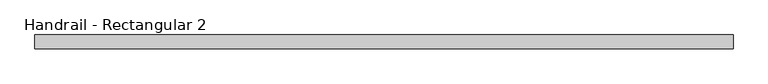
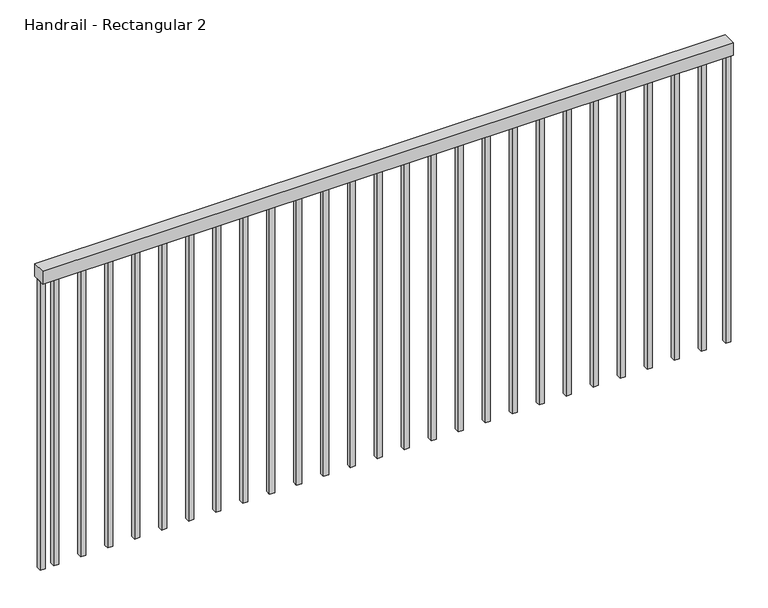
"""IFC4 building model written with IfcOpenShell, lengths in millimetres: railing geometry, Handrail - Rectangular 2."""

from ifc_helpers import new_model, si_unit, frame, origin, place, context, project, spatial, polyline, outline, extrude, source, transform, mapped, element, save


def handrail_rectangular_2_bbb263ee(model_context):
    return source(origin(), model_context, "Body", "SweptSolid", [
        extrude(outline(polyline([(63071.8536851, -314.0697691), (63071.8536851, -364.8697691), (60471.8536851, -364.8697691), (60471.8536851, -314.0697691), (63071.8536851, -314.0697691)])), frame((0.0, 0.0, 4189.2), z_axis=(0.0, 0.0, 1.0), x_axis=(1.0, 0.0, 0.0)), (0.0, 0.0, 1.0), 50.8),
        extrude(outline(polyline([(60541.3786851, -329.9447691), (60541.3786851, -348.9947691), (60522.3286851, -348.9947691), (60522.3286851, -329.9447691), (60541.3786851, -329.9447691)])), frame((0.0, 0.0, 3040.0), z_axis=(0.0, 0.0, 1.0), x_axis=(1.0, 0.0, 0.0)), (0.0, 0.0, 1.0), 1149.2),
        extrude(outline(polyline([(60642.9786851, -329.9447691), (60642.9786851, -348.9947691), (60623.9286851, -348.9947691), (60623.9286851, -329.9447691), (60642.9786851, -329.9447691)])), frame((0.0, 0.0, 3040.0), z_axis=(0.0, 0.0, 1.0), x_axis=(1.0, 0.0, 0.0)), (0.0, 0.0, 1.0), 1149.2),
        extrude(outline(polyline([(60744.5786851, -329.9447691), (60744.5786851, -348.9947691), (60725.5286851, -348.9947691), (60725.5286851, -329.9447691), (60744.5786851, -329.9447691)])), frame((0.0, 0.0, 3040.0), z_axis=(0.0, 0.0, 1.0), x_axis=(1.0, 0.0, 0.0)), (0.0, 0.0, 1.0), 1149.2),
        extrude(outline(polyline([(60846.1786851, -329.9447691), (60846.1786851, -348.9947691), (60827.1286851, -348.9947691), (60827.1286851, -329.9447691), (60846.1786851, -329.9447691)])), frame((0.0, 0.0, 3040.0), z_axis=(0.0, 0.0, 1.0), x_axis=(1.0, 0.0, 0.0)), (0.0, 0.0, 1.0), 1149.2),
        extrude(outline(polyline([(60947.7786851, -329.9447691), (60947.7786851, -348.9947691), (60928.7286851, -348.9947691), (60928.7286851, -329.9447691), (60947.7786851, -329.9447691)])), frame((0.0, 0.0, 3040.0), z_axis=(0.0, 0.0, 1.0), x_axis=(1.0, 0.0, 0.0)), (0.0, 0.0, 1.0), 1149.2),
        extrude(outline(polyline([(61049.3786851, -329.9447691), (61049.3786851, -348.9947691), (61030.3286851, -348.9947691), (61030.3286851, -329.9447691), (61049.3786851, -329.9447691)])), frame((0.0, 0.0, 3040.0), z_axis=(0.0, 0.0, 1.0), x_axis=(1.0, 0.0, 0.0)), (0.0, 0.0, 1.0), 1149.2),
        extrude(outline(polyline([(61150.9786851, -329.9447691), (61150.9786851, -348.9947691), (61131.9286851, -348.9947691), (61131.9286851, -329.9447691), (61150.9786851, -329.9447691)])), frame((0.0, 0.0, 3040.0), z_axis=(0.0, 0.0, 1.0), x_axis=(1.0, 0.0, 0.0)), (0.0, 0.0, 1.0), 1149.2),
        extrude(outline(polyline([(61252.5786851, -329.9447691), (61252.5786851, -348.9947691), (61233.5286851, -348.9947691), (61233.5286851, -329.9447691), (61252.5786851, -329.9447691)])), frame((0.0, 0.0, 3040.0), z_axis=(0.0, 0.0, 1.0), x_axis=(1.0, 0.0, 0.0)), (0.0, 0.0, 1.0), 1149.2),
        extrude(outline(polyline([(61354.1786851, -329.9447691), (61354.1786851, -348.9947691), (61335.1286851, -348.9947691), (61335.1286851, -329.9447691), (61354.1786851, -329.9447691)])), frame((0.0, 0.0, 3040.0), z_axis=(0.0, 0.0, 1.0), x_axis=(1.0, 0.0, 0.0)), (0.0, 0.0, 1.0), 1149.2),
        extrude(outline(polyline([(61455.7786851, -329.9447691), (61455.7786851, -348.9947691), (61436.7286851, -348.9947691), (61436.7286851, -329.9447691), (61455.7786851, -329.9447691)])), frame((0.0, 0.0, 3040.0), z_axis=(0.0, 0.0, 1.0), x_axis=(1.0, 0.0, 0.0)), (0.0, 0.0, 1.0), 1149.2),
        extrude(outline(polyline([(61557.3786851, -329.9447691), (61557.3786851, -348.9947691), (61538.3286851, -348.9947691), (61538.3286851, -329.9447691), (61557.3786851, -329.9447691)])), frame((0.0, 0.0, 3040.0), z_axis=(0.0, 0.0, 1.0), x_axis=(1.0, 0.0, 0.0)), (0.0, 0.0, 1.0), 1149.2),
        extrude(outline(polyline([(61658.9786851, -329.9447691), (61658.9786851, -348.9947691), (61639.9286851, -348.9947691), (61639.9286851, -329.9447691), (61658.9786851, -329.9447691)])), frame((0.0, 0.0, 3040.0), z_axis=(0.0, 0.0, 1.0), x_axis=(1.0, 0.0, 0.0)), (0.0, 0.0, 1.0), 1149.2),
        extrude(outline(polyline([(61760.5786851, -329.9447691), (61760.5786851, -348.9947691), (61741.5286851, -348.9947691), (61741.5286851, -329.9447691), (61760.5786851, -329.9447691)])), frame((0.0, 0.0, 3040.0), z_axis=(0.0, 0.0, 1.0), x_axis=(1.0, 0.0, 0.0)), (0.0, 0.0, 1.0), 1149.2),
        extrude(outline(polyline([(61862.1786851, -329.9447691), (61862.1786851, -348.9947691), (61843.1286851, -348.9947691), (61843.1286851, -329.9447691), (61862.1786851, -329.9447691)])), frame((0.0, 0.0, 3040.0), z_axis=(0.0, 0.0, 1.0), x_axis=(1.0, 0.0, 0.0)), (0.0, 0.0, 1.0), 1149.2),
        extrude(outline(polyline([(61963.7786851, -329.9447691), (61963.7786851, -348.9947691), (61944.7286851, -348.9947691), (61944.7286851, -329.9447691), (61963.7786851, -329.9447691)])), frame((0.0, 0.0, 3040.0), z_axis=(0.0, 0.0, 1.0), x_axis=(1.0, 0.0, 0.0)), (0.0, 0.0, 1.0), 1149.2),
        extrude(outline(polyline([(62065.3786851, -329.9447691), (62065.3786851, -348.9947691), (62046.3286851, -348.9947691), (62046.3286851, -329.9447691), (62065.3786851, -329.9447691)])), frame((0.0, 0.0, 3040.0), z_axis=(0.0, 0.0, 1.0), x_axis=(1.0, 0.0, 0.0)), (0.0, 0.0, 1.0), 1149.2),
        extrude(outline(polyline([(62166.9786851, -329.9447691), (62166.9786851, -348.9947691), (62147.9286851, -348.9947691), (62147.9286851, -329.9447691), (62166.9786851, -329.9447691)])), frame((0.0, 0.0, 3040.0), z_axis=(0.0, 0.0, 1.0), x_axis=(1.0, 0.0, 0.0)), (0.0, 0.0, 1.0), 1149.2),
        extrude(outline(polyline([(62268.5786851, -329.9447691), (62268.5786851, -348.9947691), (62249.5286851, -348.9947691), (62249.5286851, -329.9447691), (62268.5786851, -329.9447691)])), frame((0.0, 0.0, 3040.0), z_axis=(0.0, 0.0, 1.0), x_axis=(1.0, 0.0, 0.0)), (0.0, 0.0, 1.0), 1149.2),
        extrude(outline(polyline([(62370.1786851, -329.9447691), (62370.1786851, -348.9947691), (62351.1286851, -348.9947691), (62351.1286851, -329.9447691), (62370.1786851, -329.9447691)])), frame((0.0, 0.0, 3040.0), z_axis=(0.0, 0.0, 1.0), x_axis=(1.0, 0.0, 0.0)), (0.0, 0.0, 1.0), 1149.2),
        extrude(outline(polyline([(62471.7786851, -329.9447691), (62471.7786851, -348.9947691), (62452.7286851, -348.9947691), (62452.7286851, -329.9447691), (62471.7786851, -329.9447691)])), frame((0.0, 0.0, 3040.0), z_axis=(0.0, 0.0, 1.0), x_axis=(1.0, 0.0, 0.0)), (0.0, 0.0, 1.0), 1149.2),
        extrude(outline(polyline([(62573.3786851, -329.9447691), (62573.3786851, -348.9947691), (62554.3286851, -348.9947691), (62554.3286851, -329.9447691), (62573.3786851, -329.9447691)])), frame((0.0, 0.0, 3040.0), z_axis=(0.0, 0.0, 1.0), x_axis=(1.0, 0.0, 0.0)), (0.0, 0.0, 1.0), 1149.2),
        extrude(outline(polyline([(62674.9786851, -329.9447691), (62674.9786851, -348.9947691), (62655.9286851, -348.9947691), (62655.9286851, -329.9447691), (62674.9786851, -329.9447691)])), frame((0.0, 0.0, 3040.0), z_axis=(0.0, 0.0, 1.0), x_axis=(1.0, 0.0, 0.0)), (0.0, 0.0, 1.0), 1149.2),
        extrude(outline(polyline([(62776.5786851, -329.9447691), (62776.5786851, -348.9947691), (62757.5286851, -348.9947691), (62757.5286851, -329.9447691), (62776.5786851, -329.9447691)])), frame((0.0, 0.0, 3040.0), z_axis=(0.0, 0.0, 1.0), x_axis=(1.0, 0.0, 0.0)), (0.0, 0.0, 1.0), 1149.2),
        extrude(outline(polyline([(62878.1786851, -329.9447691), (62878.1786851, -348.9947691), (62859.1286851, -348.9947691), (62859.1286851, -329.9447691), (62878.1786851, -329.9447691)])), frame((0.0, 0.0, 3040.0), z_axis=(0.0, 0.0, 1.0), x_axis=(1.0, 0.0, 0.0)), (0.0, 0.0, 1.0), 1149.2),
        extrude(outline(polyline([(62979.7786851, -329.9447691), (62979.7786851, -348.9947691), (62960.7286851, -348.9947691), (62960.7286851, -329.9447691), (62979.7786851, -329.9447691)])), frame((0.0, 0.0, 3040.0), z_axis=(0.0, 0.0, 1.0), x_axis=(1.0, 0.0, 0.0)), (0.0, 0.0, 1.0), 1149.2),
        extrude(outline(polyline([(60490.8786851, -329.9447691), (60490.8786851, -348.9947691), (60471.8286851, -348.9947691), (60471.8286851, -329.9447691), (60490.8786851, -329.9447691)])), frame((0.0, 0.0, 3040.0), z_axis=(0.0, 0.0, 1.0), x_axis=(1.0, 0.0, 0.0)), (0.0, 0.0, 1.0), 1149.2),
        extrude(outline(polyline([(63071.8786851, -329.9447691), (63071.8786851, -348.9947691), (63052.8286851, -348.9947691), (63052.8286851, -329.9447691), (63071.8786851, -329.9447691)])), frame((0.0, 0.0, 3040.0), z_axis=(0.0, 0.0, 1.0), x_axis=(1.0, 0.0, 0.0)), (0.0, 0.0, 1.0), 1149.2),
    ])


if __name__ == "__main__":
    model = new_model("IFC4")
    model_context = context("Model", 3, world=origin())
    ifc_project = project(units=[si_unit("LENGTHUNIT", "METRE", prefix="MILLI")], contexts=[model_context])
    site = spatial("IfcSite", under=ifc_project)
    building = spatial("IfcBuilding", under=site)
    placement = place(None, origin())
    handrail_rectangular_2_shape = handrail_rectangular_2_bbb263ee(model_context)
    element("IfcRailing", 1, ObjectType="Handrail - Rectangular 2", at=placement, inside=building, context=model_context, shape_type="MappedRepresentation", body=[
        mapped(handrail_rectangular_2_shape, transform((0.0, 0.0, 0.0), x_axis=(1.0, 0.0, 0.0), y_axis=(0.0, 1.0, 0.0), z_axis=(0.0, 0.0, 1.0))),
    ])
    save(model, "model.ifc")
